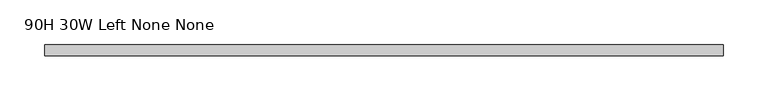
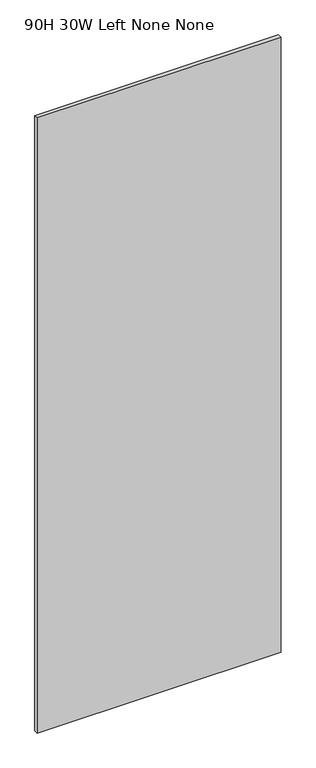
"""IFC4 building model written with IfcOpenShell, lengths in millimetres: furniture geometry, 90H 30W Left None None."""

from ifc_helpers import new_model, si_unit, frame, origin, place, context, project, spatial, polyline, outline, extrude, source, transform, mapped, element, save


def furniture_90h_30w_left_none_none_7d3b4ab6(model_context):
    return source(origin(), model_context, "Body", "SweptSolid", [
        extrude(outline(polyline([(762.0, -50.8000015), (0.0, -50.8000015), (0.0, -38.1), (762.0, -38.1), (762.0, -50.8000015)])), frame((0.0, 0.0, 139.700003), z_axis=(0.0, 0.0, 1.0), x_axis=(1.0, 0.0, 0.0)), (0.0, 0.0, 1.0), 2031.999997),
    ])


if __name__ == "__main__":
    model = new_model("IFC4")
    model_context = context("Model", 3, world=origin())
    ifc_project = project(units=[si_unit("LENGTHUNIT", "METRE", prefix="MILLI")], contexts=[model_context])
    site = spatial("IfcSite", under=ifc_project)
    building = spatial("IfcBuilding", under=site)
    placement = place(None, origin())
    furniture_90h_30w_left_none_none_shape = furniture_90h_30w_left_none_none_7d3b4ab6(model_context)
    element("IfcFurniture", 1, ObjectType="90H 30W Left None None", at=placement, inside=building, context=model_context, shape_type="MappedRepresentation", body=[
        mapped(furniture_90h_30w_left_none_none_shape, transform((0.0, 0.0, 0.0), x_axis=(1.0, 0.0, 0.0), y_axis=(0.0, 1.0, 0.0), z_axis=(0.0, 0.0, 1.0))),
    ])
    save(model, "model.ifc")
